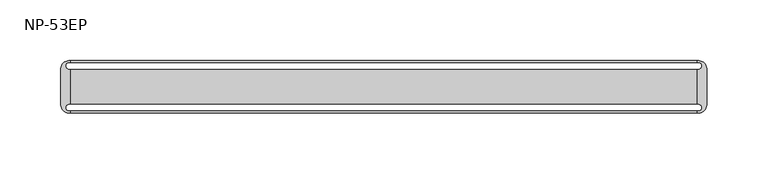
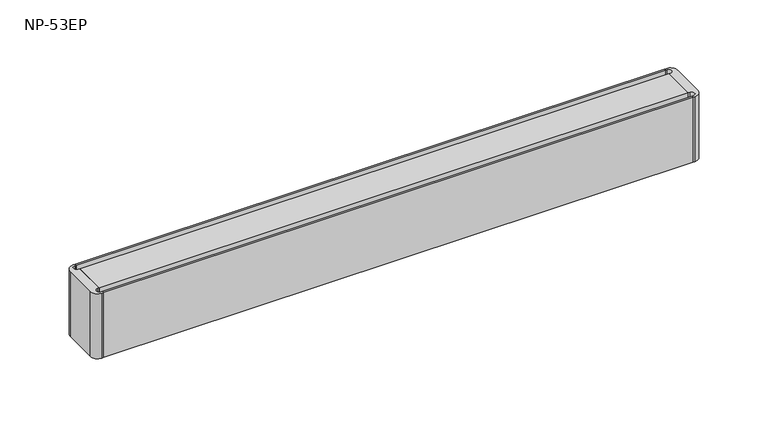
"""IFC4 building model written with IfcOpenShell, lengths in millimetres: furniture geometry, NP-53EP."""

from ifc_helpers import new_model, si_unit, point, frame_2d, origin, origin_with_axes, place, context, project, spatial, polyline, circle_curve, trimmed, segment, composite_curve, outline, extrude, source, transform, mapped, element, save


def np_53ep_041cfec0(model_context):
    return source(origin(), model_context, "Body", "SweptSolid", [
        extrude(outline(polyline([(-257.0125, 21.43125), (257.0125, 21.43125), (257.0125, 20.0209816), (-257.0125, 20.0209816), (-257.0125, 21.43125)])), origin_with_axes(), (0.0, 0.0, 1.0), 60.0),
        extrude(outline(polyline([(-257.0125, 14.3209816), (257.0125, 14.3209816), (257.0125, -14.3209816), (-257.0125, -14.3209816), (-257.0125, 14.3209816)])), origin_with_axes(), (0.0, 0.0, 1.0), 60.0),
        extrude(outline(polyline([(-257.0125, -21.43125), (-257.0125, -20.0209816), (257.0125, -20.0209816), (257.0125, -21.43125), (-257.0125, -21.43125)])), origin_with_axes(), (0.0, 0.0, 1.0), 60.0),
        extrude(outline(composite_curve([segment(polyline([(-265.1125, -15.08125), (-265.1125, 15.08125)]), True, "CONTINUOUS"), segment(trimmed(circle_curve(frame_2d((-258.7625, 15.08125)), 6.35), [point((-265.1125, 15.08125))], [point((-258.7625, 21.43125))], False, "CARTESIAN"), True, "CONTINUOUS"), segment(polyline([(-258.7625, 21.43125), (-257.0125, 21.43125), (-257.0125, 20.0209816), (-258.4426562, 20.0209816)]), True, "CONTINUOUS"), segment(trimmed(circle_curve(frame_2d((-258.4426562, 17.1709816)), 2.85), [point((-258.4426562, 20.0209816))], [point((-258.4426562, 14.3209816))], True, "CARTESIAN"), True, "CONTINUOUS"), segment(polyline([(-258.4426562, 14.3209816), (-257.0125, 14.3209816), (-257.0125, -14.3209816), (-258.4426562, -14.3209816)]), True, "CONTINUOUS"), segment(trimmed(circle_curve(frame_2d((-258.4426562, -17.1709816)), 2.85), [point((-258.4426562, -14.3209816))], [point((-258.4426562, -20.0209816))], True, "CARTESIAN"), True, "CONTINUOUS"), segment(polyline([(-258.4426562, -20.0209816), (-257.0125, -20.0209816), (-257.0125, -21.43125), (-258.7625, -21.43125)]), True, "CONTINUOUS"), segment(trimmed(circle_curve(frame_2d((-258.7625, -15.08125)), 6.35), [point((-258.7625, -21.43125))], [point((-265.1125, -15.08125))], False, "CARTESIAN"), True, "CONTINUOUS")], self_intersect=False)), origin_with_axes(), (0.0, 0.0, 1.0), 60.0),
        extrude(outline(composite_curve([segment(trimmed(circle_curve(frame_2d((258.7625, -15.08125)), 6.35), [point((265.1125, -15.08125))], [point((258.7625, -21.43125))], False, "CARTESIAN"), True, "CONTINUOUS"), segment(polyline([(258.7625, -21.43125), (257.0125, -21.43125), (257.0125, -20.0209816), (258.4426562, -20.0209816)]), True, "CONTINUOUS"), segment(trimmed(circle_curve(frame_2d((258.4426562, -17.1709816)), 2.85), [point((258.4426562, -20.0209816))], [point((258.4426562, -14.3209816))], True, "CARTESIAN"), True, "CONTINUOUS"), segment(polyline([(258.4426562, -14.3209816), (257.0125, -14.3209816), (257.0125, 14.3209816), (258.4426562, 14.3209816)]), True, "CONTINUOUS"), segment(trimmed(circle_curve(frame_2d((258.4426562, 17.1709816)), 2.85), [point((258.4426562, 14.3209816))], [point((258.4426562, 20.0209816))], True, "CARTESIAN"), True, "CONTINUOUS"), segment(polyline([(258.4426562, 20.0209816), (257.0125, 20.0209816), (257.0125, 21.43125), (258.7625, 21.43125)]), True, "CONTINUOUS"), segment(trimmed(circle_curve(frame_2d((258.7625, 15.08125)), 6.35), [point((258.7625, 21.43125))], [point((265.1125, 15.08125))], False, "CARTESIAN"), True, "CONTINUOUS"), segment(polyline([(265.1125, 15.08125), (265.1125, -15.08125)]), True, "CONTINUOUS")], self_intersect=False)), origin_with_axes(), (0.0, 0.0, 1.0), 60.0),
    ])


if __name__ == "__main__":
    model = new_model("IFC4")
    model_context = context("Model", 3, world=origin())
    ifc_project = project(units=[si_unit("LENGTHUNIT", "METRE", prefix="MILLI")], contexts=[model_context])
    site = spatial("IfcSite", under=ifc_project)
    building = spatial("IfcBuilding", under=site)
    placement = place(None, origin())
    np_53ep_shape = np_53ep_041cfec0(model_context)
    element("IfcFurniture", 1, ObjectType="NP-53EP", at=placement, inside=building, context=model_context, shape_type="MappedRepresentation", body=[
        mapped(np_53ep_shape, transform((0.0, 0.0, 0.0), x_axis=(1.0, 0.0, 0.0), y_axis=(0.0, 1.0, 0.0), z_axis=(0.0, 0.0, 1.0))),
    ])
    save(model, "model.ifc")
